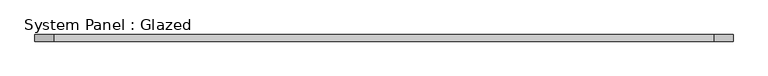
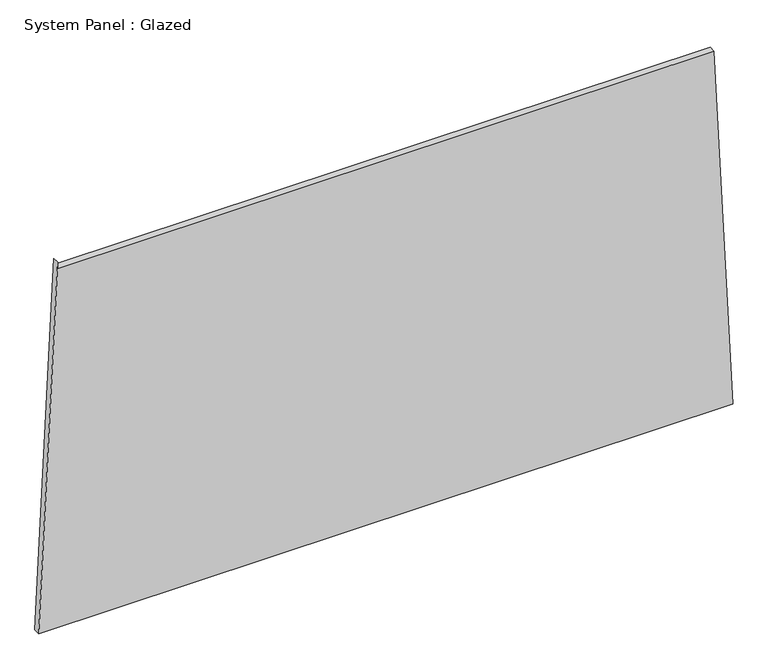
"""IFC4 building model written with IfcOpenShell, lengths in millimetres: plate geometry, System Panel : Glazed."""

from ifc_helpers import new_model, si_unit, frame, origin, place, context, project, spatial, polyline, outline, extrude, source, transform, mapped, element, save


def system_panel_glazed_7d022b79(model_context):
    return source(origin(), model_context, "Body", "SweptSolid", [
        extrude(outline(polyline([(0.0, -1323.7951591), (0.0, 1323.7951591), (1448.1969428, 1252.7258298), (1448.196511, -1251.4962298), (1473.196511, -1251.4962341), (0.0, -1323.7951591)])), frame((0.0, -49.5, 0.0), z_axis=(0.0, 1.0, 0.0), x_axis=(0.0, 0.0, 1.0)), (0.0, 0.0, 1.0), 25.0),
    ])


if __name__ == "__main__":
    model = new_model("IFC4")
    model_context = context("Model", 3, world=origin())
    ifc_project = project(units=[si_unit("LENGTHUNIT", "METRE", prefix="MILLI")], contexts=[model_context])
    site = spatial("IfcSite", under=ifc_project)
    building = spatial("IfcBuilding", under=site)
    placement = place(None, origin())
    system_panel_glazed_shape = system_panel_glazed_7d022b79(model_context)
    element("IfcPlate", 1, ObjectType="System Panel : Glazed", at=placement, inside=building, context=model_context, shape_type="MappedRepresentation", body=[
        mapped(system_panel_glazed_shape, transform((0.0, 0.0, 0.0), x_axis=(1.0, 0.0, 0.0), y_axis=(0.0, 1.0, 0.0), z_axis=(0.0, 0.0, 1.0))),
    ])
    save(model, "model.ifc")
